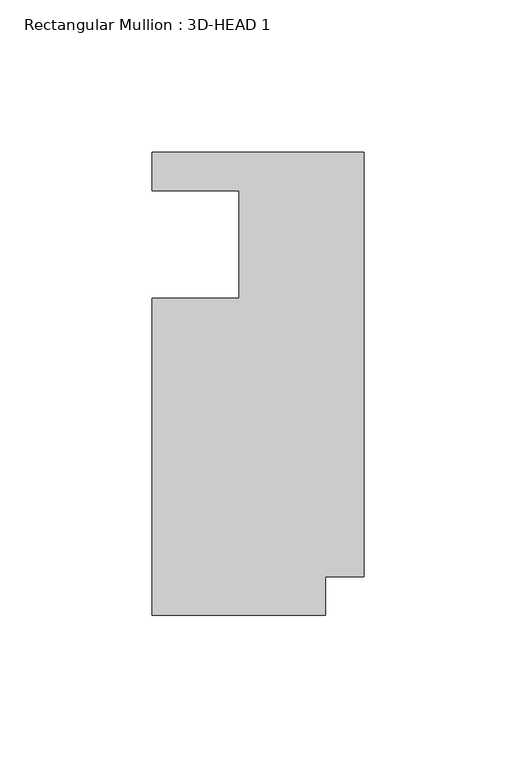
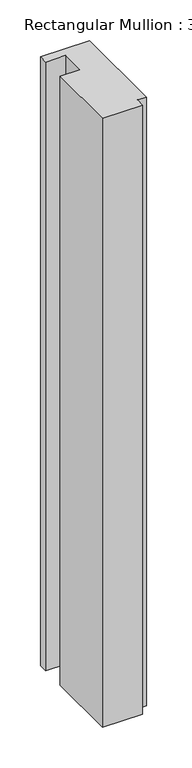
"""IFC4 building model written with IfcOpenShell, lengths in millimetres: member geometry, Rectangular Mullion : 3D-HEAD 1."""

import ifcopenshell
import ifcopenshell.guid

model = None  # the IFC model being written
_history = None  # IfcOwnerHistory: only IFC2X3 demands one
_inside = {}  # id of a spatial element -> (the spatial element, [elements in it])
_under = {}  # id of a project, library or spatial element -> (it, [spatial elements below it])
_declared = {}  # id of a project -> (the project, [libraries it declares])
_typed = {}  # id of a type object -> (the type object, [elements of that type])
_made_of = {}  # id of a material, layer set ... -> (it, [elements and type objects made of it])


def new_model(schema):
    """Start an empty IFC model of exactly this schema.

    Asked for "IFC4X3", IfcOpenShell would pick the latest addendum, in which some entities
    have other attributes; the version numbers below select the first issue.
    IFC2X3 requires an IfcOwnerHistory on every rooted entity: one is made here for all.
    """
    global model, _history
    if schema == "IFC4X3":
        model = ifcopenshell.file(schema_version=(4, 3, 0, 0))
    else:
        model = ifcopenshell.file(schema=schema)
    _inside.clear()
    _under.clear()
    _declared.clear()
    _typed.clear()
    _made_of.clear()
    _history = None
    if model.schema == "IFC2X3":
        org = make("IfcOrganization", Name="unknown")
        user = make(
            "IfcPersonAndOrganization",
            ThePerson=make("IfcPerson", FamilyName="unknown"),
            TheOrganization=org,
        )
        app = make(
            "IfcApplication",
            ApplicationDeveloper=org,
            Version="unknown",
            ApplicationFullName="unknown",
            ApplicationIdentifier="unknown",
        )
        _history = make(
            "IfcOwnerHistory",
            OwningUser=user,
            OwningApplication=app,
            ChangeAction="ADDED",
            CreationDate=0,
        )
    return model


def make(cls, **values):
    """One entity of the class cls with the attributes given. An attribute that is None is left unset."""
    return model.create_entity(
        cls, **{name: value for name, value in values.items() if value is not None}
    )


def rooted(cls, **values):
    """An entity with a GlobalId (a new one), such as an element, a storey or a relation."""
    return make(cls, GlobalId=ifcopenshell.guid.new(), OwnerHistory=_history, **values)


def si_unit(unit_type, name, prefix=None):
    """IfcSIUnit, for example si_unit("LENGTHUNIT", "METRE", prefix="MILLI")."""
    return make("IfcSIUnit", UnitType=unit_type, Prefix=prefix, Name=name)


def assignment(units):
    """IfcUnitAssignment: the units of a project."""
    return None if units is None else make("IfcUnitAssignment", Units=units)


def point(xyz):
    """IfcCartesianPoint."""
    return None if xyz is None else make("IfcCartesianPoint", Coordinates=xyz)


def direction(xyz):
    """IfcDirection."""
    return None if xyz is None else make("IfcDirection", DirectionRatios=xyz)


def frame(location, z_axis=None, x_axis=None):
    """IfcAxis2Placement3D, a coordinate frame: its origin and axes. An axis left out is left unset."""
    return make(
        "IfcAxis2Placement3D",
        Location=point(location),
        Axis=direction(z_axis),
        RefDirection=direction(x_axis),
    )


def origin():
    """The frame at (0, 0, 0) with its axes left unset."""
    return frame((0.0, 0.0, 0.0))


def place(relative_to, where):
    """IfcLocalPlacement: puts the frame where relative to a parent placement (None: the world)."""
    return make(
        "IfcLocalPlacement", PlacementRelTo=relative_to, RelativePlacement=where
    )


def context(
    kind, dimensions, precision=None, world=None, true_north=None, identifier=None
):
    """IfcGeometricRepresentationContext, for example the 3D "Model" context."""
    return make(
        "IfcGeometricRepresentationContext",
        ContextIdentifier=identifier,
        ContextType=kind,
        CoordinateSpaceDimension=dimensions,
        Precision=precision,
        WorldCoordinateSystem=world,
        TrueNorth=true_north,
    )


def project(units=None, contexts=None):
    """IfcProject with its units and contexts."""
    return rooted(
        "IfcProject",
        Name="project",
        RepresentationContexts=contexts,
        UnitsInContext=assignment(units),
    )


def spatial(cls, under=None, at=None, **own):
    """A site, building, storey or space (cls), placed at a placement, below another one or the project."""
    s = rooted(cls, ObjectPlacement=at, **own)
    if under is not None:
        _under.setdefault(under.id(), (under, []))[1].append(s)
    return s


def polyline(points):
    """IfcPolyline through the points."""
    return make("IfcPolyline", Points=[point(p) for p in points])


def outline(outer, holes=None, kind="AREA"):
    """IfcArbitraryClosedProfileDef: a profile drawn as a closed curve; with holes, ...WithVoids."""
    if holes is None:
        return make("IfcArbitraryClosedProfileDef", ProfileType=kind, OuterCurve=outer)
    return make(
        "IfcArbitraryProfileDefWithVoids",
        ProfileType=kind,
        OuterCurve=outer,
        InnerCurves=holes,
    )


def extrude(swept, where, along, depth):
    """IfcExtrudedAreaSolid: the profile swept, set in the frame where, extruded along a direction by depth."""
    return make(
        "IfcExtrudedAreaSolid",
        SweptArea=swept,
        Position=where,
        ExtrudedDirection=direction(along),
        Depth=depth,
    )


def shape(context_of_items, identifier, shape_type, items):
    """IfcShapeRepresentation: the items that make up one representation, for example the "Body"."""
    return make(
        "IfcShapeRepresentation",
        ContextOfItems=context_of_items,
        RepresentationIdentifier=identifier,
        RepresentationType=shape_type,
        Items=items,
    )


def source(mapping_origin, context_of_items, identifier, shape_type, items):
    """IfcRepresentationMap: a shape defined once, which mapped items show again and again."""
    return make(
        "IfcRepresentationMap",
        MappingOrigin=mapping_origin,
        MappedRepresentation=shape(context_of_items, identifier, shape_type, items),
    )


def transform(
    local_origin,
    x_axis=None,
    y_axis=None,
    z_axis=None,
    scale=None,
    scale2=None,
    scale3=None,
    uniform=True,
):
    """IfcCartesianTransformationOperator3D, or its non-uniform kind. x_axis, y_axis, z_axis: its Axis1, 2, 3."""
    if uniform:
        return make(
            "IfcCartesianTransformationOperator3D",
            Axis1=direction(x_axis),
            Axis2=direction(y_axis),
            LocalOrigin=point(local_origin),
            Scale=scale,
            Axis3=direction(z_axis),
        )
    return make(
        "IfcCartesianTransformationOperator3DnonUniform",
        Axis1=direction(x_axis),
        Axis2=direction(y_axis),
        LocalOrigin=point(local_origin),
        Scale=scale,
        Axis3=direction(z_axis),
        Scale2=scale2,
        Scale3=scale3,
    )


def mapped(mapping_source, mapping_target):
    """IfcMappedItem: shows the shape of a source again, moved by a transform."""
    return make(
        "IfcMappedItem", MappingSource=mapping_source, MappingTarget=mapping_target
    )


def made_of(thing, what):
    """Note that an element or type object is made of a material, layer set ...; save() writes the relation."""
    if what is not None:
        _made_of.setdefault(what.id(), (what, []))[1].append(thing)
    return thing


def element(
    cls,
    number,
    at=None,
    inside=None,
    cuts=None,
    type_object=None,
    material=None,
    context=None,
    identifier="Body",
    shape_type=None,
    held_by="IfcProductDefinitionShape",
    body=None,
    shapes=None,
    **own,
):
    """One element of the class cls, such as IfcWall. Its Tag is "e" and its number.

    at: its placement. inside: the storey or other place that contains it. cuts: it is an
    opening in that element (IfcRelVoidsElement). A single representation is given by context,
    identifier, shape_type and body (its items); several are given by shapes. held_by: the class
    of the entity that holds the representations. save() writes the other relations.
    """
    e = rooted(cls, Tag="e%d" % number, ObjectPlacement=at, **own)
    if body is not None:
        shapes = [shape(context, identifier, shape_type, body)]
    if shapes is not None:
        e.Representation = make(held_by, Representations=shapes)
    if inside is not None:
        _inside.setdefault(inside.id(), (inside, []))[1].append(e)
    if cuts is not None:
        rooted(
            "IfcRelVoidsElement", RelatingBuildingElement=cuts, RelatedOpeningElement=e
        )
    if type_object is not None:
        _typed.setdefault(type_object.id(), (type_object, []))[1].append(e)
    return made_of(e, material)


def aggregate(whole, parts):
    """IfcRelAggregates: a whole, such as a stair, and the parts it consists of."""
    return rooted("IfcRelAggregates", RelatingObject=whole, RelatedObjects=parts)


def save(model, path):
    """Write the relations noted so far, then the file.

    IfcRelAggregates (storeys below a building ...), IfcRelContainedInSpatialStructure (elements
    in a storey), IfcRelDefinesByType, IfcRelAssociatesMaterial and IfcRelDeclares: one each for
    every whole, place, type object, material and project.
    """
    for whole, parts in _under.values():
        aggregate(whole, parts)
    for where, things in _inside.values():
        rooted(
            "IfcRelContainedInSpatialStructure",
            RelatedElements=things,
            RelatingStructure=where,
        )
    for kind, things in _typed.values():
        rooted("IfcRelDefinesByType", RelatedObjects=things, RelatingType=kind)
    for what, things in _made_of.values():
        rooted("IfcRelAssociatesMaterial", RelatedObjects=things, RelatingMaterial=what)
    for by, libraries in _declared.values():
        rooted("IfcRelDeclares", RelatingContext=by, RelatedDefinitions=libraries)
    model.write(path)


def rectangular_mullion_3d_head_1_1462a891(model_context):
    return source(origin(), model_context, "Body", "SweptSolid", [
        extrude(outline(polyline([(0.0, 76.2), (0.0, -63.4365), (-12.7, -63.4365), (-12.7, -76.2), (-69.85, -76.2), (-69.85, 28.0416), (-41.2496, 28.0416), (-41.2496, 63.5), (-69.85, 63.5), (-69.85, 76.2), (0.0, 76.2)])), frame((0.0, 0.0, -914.4), z_axis=(0.0, 0.0, 1.0), x_axis=(1.0, 0.0, 0.0)), (0.0, 0.0, 1.0), 914.4),
    ])


if __name__ == "__main__":
    model = new_model("IFC4")
    model_context = context("Model", 3, world=origin())
    ifc_project = project(units=[si_unit("LENGTHUNIT", "METRE", prefix="MILLI")], contexts=[model_context])
    site = spatial("IfcSite", under=ifc_project)
    building = spatial("IfcBuilding", under=site)
    placement = place(None, origin())
    rectangular_mullion_3d_head_1_shape = rectangular_mullion_3d_head_1_1462a891(model_context)
    element("IfcMember", 1, ObjectType="Rectangular Mullion : 3D-HEAD 1", at=placement, inside=building, context=model_context, shape_type="MappedRepresentation", body=[
        mapped(rectangular_mullion_3d_head_1_shape, transform((0.0, 0.0, 0.0), x_axis=(1.0, 0.0, 0.0), y_axis=(0.0, 1.0, 0.0), z_axis=(0.0, 0.0, 1.0))),
    ])
    save(model, "model.ifc")
